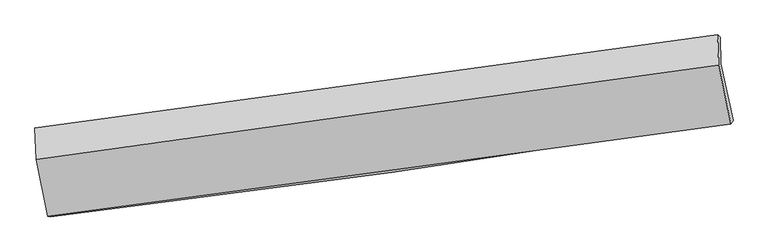
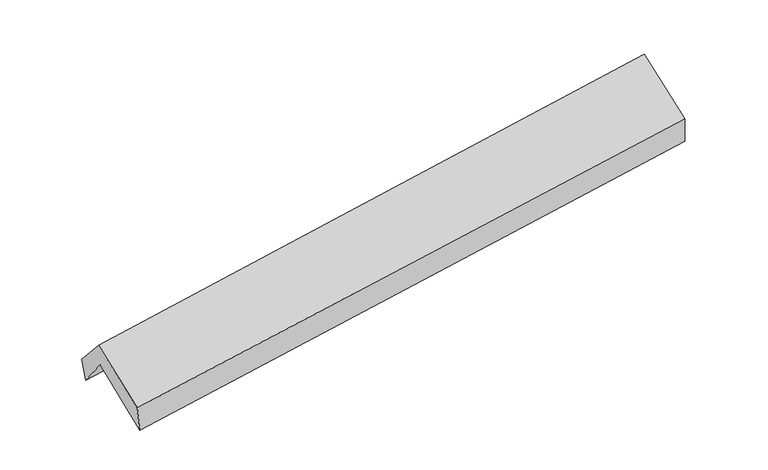
"""IFC4 building model written with IfcOpenShell, lengths in millimetres: proxy geometry."""

from ifc_helpers import new_model, si_unit, frame, origin, place, context, project, spatial, source, transform, mapped, element, save
from ifc_brep_helpers import plane_surface, spline_curve, spline_surface, advanced_brep


def generic_models_adeb5926(model_context):
    return source(origin(), model_context, "Body", "AdvancedBrep", [
        advanced_brep(
        [(-2906.1836686, -2481.747203, 1422.3657659), (-3010.9087281, -1980.9107239, 1851.7154209), (2950.1857428, -1142.7545951, 2326.371505), (3056.2899947, -1637.7916994, 1893.8579089), (-3016.7835871, -1737.285357, 1541.499294), (2945.748924, -910.4750833, 2017.6583842), (-3039.321476, -1703.8175931, 1749.1711525), (2920.8775946, -890.3198837, 2267.1408428), (-3029.2802656, -1979.9373056, 2061.8019127), (2930.6078811, -1156.5906308, 2568.6316684), (-2927.6400236, -2479.1594718, 1665.4780892), (3037.1391291, -1670.5688935, 2160.5563904)],
        [
            (0, 1),
            (1, 2, spline_curve(3, [(-3010.9087281, -1980.9107239, 1851.7154209), (-2017.119097515, -1855.6902559, 1950.398908588), (-1023.500044904, -1723.238898267, 2039.293309855), (963.531491764, -1443.855481361, 2197.514657092), (1956.943929176, -1296.921462522, 2266.838950398), (2950.1857428, -1142.7545951, 2326.371505)], [4, 2, 4], [0.0, 9.907533592537085, 19.81640940248987])),
            (2, 3),
            (3, 0, spline_curve(3, [(3056.2899947, -1637.7916994, 1893.8579089), (2063.910033955, -1801.704113971, 1836.215548327), (1070.813545315, -1953.993922983, 1768.099985786), (-916.677870105, -2235.30927599, 1610.933100739), (-1911.072602228, -2364.337967905, 1521.884615869), (-2906.1836686, -2481.747203, 1422.3657659)], [4, 2, 4], [0.0, 9.908875809952786, 19.81640940248987])),
            (1, 4),
            (4, 5, spline_curve(3, [(-3016.7835871, -1737.285357, 1541.499294), (-2022.921845545, -1602.702106532, 1624.885643653), (-1029.146914523, -1466.514400508, 1706.256191594), (958.36394585, -1190.911410778, 1864.976434545), (1952.099851819, -1051.495692181, 1942.325583259), (2945.748924, -910.4750833, 2017.6583842)], [4, 2, 4], [0.0, 9.905146064833259, 19.811634023633275])),
            (5, 2),
            (4, 6),
            (6, 7, spline_curve(3, [(-3039.321476, -1703.8175931, 1749.1711525), (-2046.089296948, -1570.730873471, 1841.187031128), (-1052.82359551, -1436.400713777, 1930.356380533), (933.909418952, -1165.235147868, 2103.013715202), (1927.376740862, -1028.399404339, 2186.500929338), (2920.8775946, -890.3198837, 2267.1408428)], [4, 2, 4], [0.0, 9.904252732206187, 19.809847237355406])),
            (7, 5),
            (6, 8),
            (8, 9, spline_curve(3, [(-3029.2802656, -1979.9373056, 2061.8019127), (-2036.220721793, -1841.874614927, 2148.185834294), (-1043.067250722, -1704.235665436, 2233.610811849), (943.562105942, -1429.786659213, 2402.554323938), (1937.03801704, -1292.976716968, 2486.072597905), (2930.6078811, -1156.5906308, 2568.6316684)], [4, 2, 4], [0.0, 9.903805100562314, 19.80895191342502])),
            (9, 7),
            (8, 10),
            (10, 11, spline_curve(3, [(-2927.6400236, -2479.1594718, 1665.4780892), (-1933.34829403, -2345.544324897, 1748.324796038), (-939.171159575, -2211.358805651, 1831.001891444), (1049.088589226, -1941.828767772, 1996.02803801), (2043.171172289, -1806.484093893, 2078.377042859), (3037.1391291, -1670.5688935, 2160.5563904)], [4, 2, 4], [0.0, 9.905373184240608, 19.812088293216842])),
            (11, 9),
            (10, 0),
            (3, 11),
        ],
        [
            spline_surface(3, 3, [[(-2906.1836686, -2481.747203, 1422.3657659), (-1911.072602384, -2364.337967981, 1521.884616005), (-916.677869992, -2235.309275834, 1610.933100868), (1070.813545202, -1953.993923139, 1768.099985657), (2063.910033928, -1801.70411406, 1836.215548467), (3056.2899947, -1637.7916994, 1893.8579089)], [(-2941.092021785, -2314.801709953, 1565.482317584), (-1946.421434116, -2194.788730569, 1664.722713507), (-952.285261622, -2064.619149981, 1753.719837196), (1035.052860689, -1783.947775872, 1911.238209463), (2028.254665725, -1633.443230206, 1979.756682458), (3020.921910749, -1472.77933127, 2038.029107619)], [(-2976.000374915, -2147.856216947, 1708.598869216), (-1981.770265793, -2025.239493197, 1807.560810957), (-987.892653212, -1893.929024135, 1896.506573535), (999.292176216, -1613.901628612, 2054.376433278), (1992.599297476, -1465.182346442, 2123.29781639), (2985.553826751, -1307.76696323, 2182.200306281)], [(-3010.9087281, -1980.9107239, 1851.7154209), (-2017.119097525, -1855.690255785, 1950.398908459), (-1023.500044842, -1723.238898282, 2039.293309863), (963.531491703, -1443.855481346, 2197.514657084), (1956.943929272, -1296.921462589, 2266.838950381), (2950.1857428, -1142.7545951, 2326.371505)]], [4, 4], [4, 2, 4], [0.0, 2.217013432413023], [0.0, 9.907533592537085, 19.81640940248987]),
            spline_surface(3, 3, [[(-3010.9087281, -1980.9107239, 1851.7154209), (-2017.119097525, -1855.690255785, 1950.398908459), (-1023.500044842, -1723.238898282, 2039.293309863), (963.531491703, -1443.855481346, 2197.514657084), (1956.943929272, -1296.921462589, 2266.838950381), (2950.1857428, -1142.7545951, 2326.371505)], [(-3012.867014436, -1899.702268271, 1748.31004527), (-2019.053346901, -1771.360872685, 1841.894486866), (-1025.382334774, -1637.664065702, 1928.280937118), (961.808976451, -1359.54079114, 2086.668582918), (1955.329236823, -1215.112872431, 2158.667828048), (2948.706803203, -1065.328091173, 2223.467131412)], [(-3014.825300764, -1818.493812629, 1644.90466963), (-2020.987596269, -1687.031489572, 1733.390065264), (-1027.264624698, -1552.08923313, 1817.268564336), (960.086461208, -1275.226100943, 1975.822508714), (1953.714544364, -1133.304282252, 2050.49670568), (2947.227863597, -987.901587227, 2120.562757788)], [(-3016.7835871, -1737.285357, 1541.499294), (-2022.921845645, -1602.702106472, 1624.885643671), (-1029.14691463, -1466.51440055, 1706.256191591), (958.363945956, -1190.911410737, 1864.976434548), (1952.099851914, -1051.495692094, 1942.325583347), (2945.748924, -910.4750833, 2017.6583842)]], [4, 4], [4, 2, 4], [0.0, 1.3752834349616843], [0.0, 9.905146064833259, 19.811634023633275]),
            spline_surface(3, 3, [[(-3016.7835871, -1737.285357, 1541.499294), (-2022.921845645, -1602.702106472, 1624.885643671), (-1029.14691463, -1466.51440055, 1706.256191591), (958.363945956, -1190.911410737, 1864.976434548), (1952.099851914, -1051.495692094, 1942.325583347), (2945.748924, -910.4750833, 2017.6583842)], [(-3024.296216703, -1726.129435709, 1610.723246842), (-2030.644329394, -1592.045028845, 1696.986106161), (-1037.039141573, -1456.476505009, 1780.956254551), (950.212436961, -1182.352656399, 1944.322194766), (1943.85881493, -1043.796929481, 2023.717365317), (2937.458480847, -903.756683442, 2100.819203714)], [(-3031.808846397, -1714.973514391, 1679.947199658), (-2038.366813233, -1581.38795119, 1769.086568623), (-1044.931368551, -1446.438609465, 1855.656317542), (942.060927931, -1173.793902058, 2023.667955014), (1935.617778007, -1036.098166843, 2105.109147344), (2929.168037753, -897.038283558, 2183.980023286)], [(-3039.321476, -1703.8175931, 1749.1711525), (-2046.089296981, -1570.730873563, 1841.187031112), (-1052.823595494, -1436.400713924, 1930.356380503), (933.909418935, -1165.235147721, 2103.013715232), (1927.376741023, -1028.39940423, 2186.500929315), (2920.8775946, -890.3198837, 2267.1408428)]], [4, 4], [4, 2, 4], [0.0, 0.7676777330375737], [0.0, 9.904252732206187, 19.809847237355406]),
            spline_surface(3, 3, [[(-3039.321476, -1703.8175931, 1749.1711525), (-2046.089296981, -1570.730873563, 1841.187031112), (-1052.823595494, -1436.400713924, 1930.356380503), (933.909418935, -1165.235147721, 2103.013715232), (1927.376741023, -1028.39940423, 2186.500929315), (2920.8775946, -890.3198837, 2267.1408428)], [(-3035.974405895, -1795.857497266, 1853.381405867), (-2042.799771989, -1661.112120737, 1943.519965433), (-1049.57148061, -1525.679031116, 2031.441191015), (937.126981274, -1253.418984837, 2202.860584757), (1930.59716638, -1116.591841836, 2286.358152151), (2924.121023437, -979.076799391, 2367.637784677)], [(-3032.627335705, -1887.897401434, 1957.591659333), (-2039.510246912, -1751.493367912, 2045.852899852), (-1046.319365671, -1614.957348348, 2132.526001498), (940.344543668, -1341.602821993, 2302.707454252), (1933.817591726, -1204.78427947, 2386.215374956), (2927.364452263, -1067.833715109, 2468.134726523)], [(-3029.2802656, -1979.9373056, 2061.8019127), (-2036.22072192, -1841.874615086, 2148.185834173), (-1043.067250787, -1704.235665539, 2233.610812011), (943.562106007, -1429.786659109, 2402.554323777), (1937.038017084, -1292.976717076, 2486.072597792), (2930.6078811, -1156.5906308, 2568.6316684)]], [4, 4], [4, 2, 4], [0.0, 1.3196695072445164], [0.0, 9.903805100562314, 19.80895191342502]),
            spline_surface(3, 3, [[(-3029.2802656, -1979.9373056, 2061.8019127), (-2036.22072192, -1841.874615086, 2148.185834173), (-1043.067250787, -1704.235665539, 2233.610812011), (943.562106007, -1429.786659109, 2402.554323777), (1937.038017084, -1292.976717076, 2486.072597792), (2930.6078811, -1156.5906308, 2568.6316684)], [(-2995.400184935, -2146.344694323, 1929.693971539), (-2001.929912587, -2009.764518337, 2014.898821452), (-1008.435220336, -1873.276712309, 2099.407838506), (978.737600402, -1600.467361956, 2267.045561808), (1972.415735471, -1464.145842691, 2350.17407944), (2966.118297095, -1327.916718382, 2432.606575733)], [(-2961.520104265, -2312.752083077, 1797.586030361), (-1967.639103248, -2177.654421619, 1881.611808714), (-973.803189939, -2042.317759042, 1965.204865044), (1013.913094743, -1771.148064765, 2131.536799884), (2007.793453875, -1635.31496826, 2214.275561087), (3001.628713105, -1499.242805918, 2296.581483067)], [(-2927.6400236, -2479.1594718, 1665.4780892), (-1933.348293915, -2345.54432487, 1748.324795994), (-939.171159488, -2211.358805812, 1831.001891539), (1049.088589139, -1941.828767612, 1996.028037915), (2043.171172262, -1806.484093874, 2078.377042735), (3037.1391291, -1670.5688935, 2160.5563904)]], [4, 4], [4, 2, 4], [0.0, 2.162156699374164], [0.0, 9.905373184240608, 19.812088293216842]),
            spline_surface(3, 3, [[(-2927.6400236, -2479.1594718, 1665.4780892), (-1933.348293915, -2345.54432487, 1748.324795994), (-939.171159488, -2211.358805812, 1831.001891539), (1049.088589139, -1941.828767612, 1996.028037915), (2043.171172262, -1806.484093874, 2078.377042735), (3037.1391291, -1670.5688935, 2160.5563904)], [(-2920.487905245, -2480.022048877, 1584.440648098), (-1925.923063383, -2351.808872584, 1672.844735995), (-931.673396317, -2219.342295824, 1757.645627987), (1056.330241165, -1945.883819459, 1920.052020501), (2050.084126154, -1804.890767278, 1997.656544623), (3043.52275097, -1659.643162142, 2071.656896544)], [(-2913.335786955, -2480.884625923, 1503.403207002), (-1918.497832916, -2358.073420267, 1597.364676004), (-924.175633162, -2227.325785822, 1684.28936442), (1063.571893175, -1949.938871292, 1844.076003072), (2056.997080036, -1803.297440656, 1916.936046579), (3049.90637283, -1648.717430758, 1982.757402756)], [(-2906.1836686, -2481.747203, 1422.3657659), (-1911.072602384, -2364.337967981, 1521.884616005), (-916.677869992, -2235.309275834, 1610.933100868), (1070.813545202, -1953.993923139, 1768.099985657), (2063.910033928, -1801.70411406, 1836.215548467), (3056.2899947, -1637.7916994, 1893.8579089)]], [4, 4], [4, 2, 4], [0.0, 0.7408482149764293], [0.0, 9.907776528757024, 19.816895307841392]),
            plane_surface(frame((2973.4748777, -1234.750131, 2205.7027833), z_axis=(0.9869611437551038, 0.1351132817362731, 0.08747629288025437), x_axis=(0.16022943552175326, -0.7730543710735039, -0.6137698814348337))),
            plane_surface(frame((-2988.3529582, -2060.4762757, 1715.3386059), z_axis=(-0.9874049117758368, -0.13297335532771418, -0.08572996543707292), x_axis=(-0.08791028602746097, 0.010602368949952716, 0.9960719709856407))),
        ],
        [
            (0, [[1, 2, 3, 4]]),
            (1, [[5, 6, 7, -2]]),
            (2, [[8, 9, 10, -6]]),
            (3, [[11, 12, 13, -9]]),
            (4, [[14, 15, 16, -12]]),
            (5, [[17, -4, 18, -15]]),
            (6, [[-16, -18, -3, -7, -10, -13]]),
            (7, [[-17, -14, -11, -8, -5, -1]]),
        ],
    ),
    ])


if __name__ == "__main__":
    model = new_model("IFC4")
    model_context = context("Model", 3, world=origin())
    ifc_project = project(units=[si_unit("LENGTHUNIT", "METRE", prefix="MILLI")], contexts=[model_context])
    site = spatial("IfcSite", under=ifc_project)
    building = spatial("IfcBuilding", under=site)
    placement = place(None, origin())
    generic_models_shape = generic_models_adeb5926(model_context)
    element("IfcBuildingElementProxy", 1, Name="Generic Models", at=placement, inside=building, context=model_context, shape_type="MappedRepresentation", body=[
        mapped(generic_models_shape, transform((0.0, 0.0, 0.0), x_axis=(1.0, 0.0, 0.0), y_axis=(0.0, 1.0, 0.0), z_axis=(0.0, 0.0, 1.0))),
    ])
    save(model, "model.ifc")
